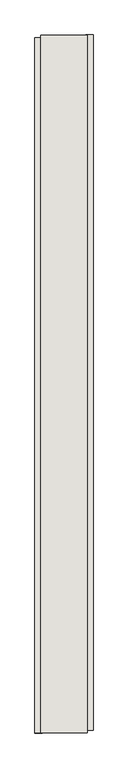
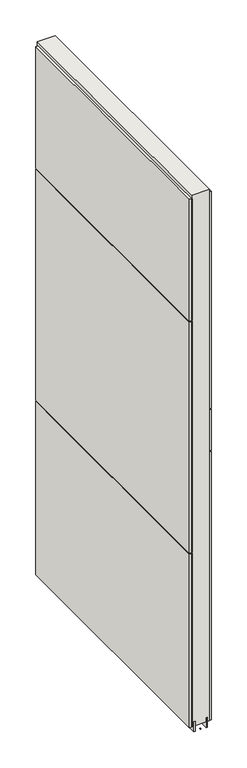
"""IFC4 building model written with IfcOpenShell, lengths in millimetres: wall geometry."""

from ifc_helpers import new_model, si_unit, frame, origin, place, context, project, spatial, polyline, outline, extrude, source, transform, mapped, element, save


def wall_921c72b9(model_context):
    return source(origin(), model_context, "Body", "SweptSolid", [
        extrude(outline(polyline([(73433.342211, -55777.5553992), (73433.342211, -55775.0153992), (73435.882211, -55775.0153992), (73435.882211, -55777.5553992), (73433.342211, -55777.5553992)])), frame((0.0, 0.0, 4419.6), z_axis=(0.0, 0.0, 1.0), x_axis=(1.0, 0.0, 0.0)), (0.0, 0.0, 1.0), 2.54),
        extrude(outline(polyline([(73485.412211, -54557.8885726), (73485.412211, -55773.0885806), (73472.712211, -55773.0885806), (73472.712211, -54557.8885726), (73485.412211, -54557.8885726)])), frame((0.0, 0.0, 5945.6000722), z_axis=(0.0, 0.0, 1.0), x_axis=(1.0, 0.0, 0.0)), (0.0, 0.0, 1.0), 1044.449905),
        extrude(outline(polyline([(73485.412211, -54557.8885726), (73485.412211, -55773.0885806), (73472.712211, -55773.0885806), (73472.712211, -54557.8885726), (73485.412211, -54557.8885726)])), frame((0.0, 0.0, 5742.3999706), z_axis=(0.0, 0.0, 1.0), x_axis=(1.0, 0.0, 0.0)), (0.0, 0.0, 1.0), 199.2000512),
        extrude(outline(polyline([(73485.412211, -54557.8885726), (73485.412211, -55773.0885806), (73472.712211, -55773.0885806), (73472.712211, -54557.8885726), (73485.412211, -54557.8885726)])), frame((0.0, 0.0, 4445.0), z_axis=(0.0, 0.0, 1.0), x_axis=(1.0, 0.0, 0.0)), (0.0, 0.0, 1.0), 1293.400004),
        extrude(outline(polyline([(73383.812211, -55778.024715), (73383.812211, -54562.824707), (73396.512211, -54562.824707), (73396.512211, -55778.024715), (73383.812211, -55778.024715)])), frame((0.0, 0.0, 6402.8000722), z_axis=(0.0, 0.0, 1.0), x_axis=(1.0, 0.0, 0.0)), (0.0, 0.0, 1.0), 587.2498034),
        extrude(outline(polyline([(73383.812211, -55778.024715), (73383.812211, -54562.824707), (73396.512211, -54562.824707), (73396.512211, -55778.024715), (73383.812211, -55778.024715)])), frame((0.0, 0.0, 5285.2000722), z_axis=(0.0, 0.0, 1.0), x_axis=(1.0, 0.0, 0.0)), (0.0, 0.0, 1.0), 1113.5999572),
        extrude(outline(polyline([(73383.812211, -55778.024715), (73383.812211, -54562.824707), (73396.512211, -54562.824707), (73396.512211, -55778.024715), (73383.812211, -55778.024715)])), frame((0.0, 0.0, 4445.0), z_axis=(0.0, 0.0, 1.0), x_axis=(1.0, 0.0, 0.0)), (0.0, 0.0, 1.0), 836.200004),
        extrude(outline(polyline([(73459.6959556, -55777.5628414), (73459.6959556, -54558.3628414), (73464.774711, -54558.3628414), (73464.774711, -55777.5628414), (73459.6959556, -55777.5628414)])), frame((0.0, 0.0, 4418.6602), z_axis=(0.0, 0.0, 1.0), x_axis=(1.0, 0.0, 0.0)), (0.0, 0.0, 1.0), 47.625),
        extrude(outline(polyline([(73459.6959556, -55777.5628414), (73459.6959556, -54558.3628414), (73464.774711, -54558.3628414), (73464.774711, -55777.5628414), (73459.6959556, -55777.5628414)])), frame((0.0, 0.0, 4418.6602), z_axis=(0.0, 0.0, 1.0), x_axis=(1.0, 0.0, 0.0)), (0.0, 0.0, 1.0), 47.625),
        extrude(outline(polyline([(73409.5284664, -54558.3628414), (73409.5284664, -55777.5628414), (73404.449711, -55777.5628414), (73404.449711, -54558.3628414), (73409.5284664, -54558.3628414)])), frame((0.0, 0.0, 4418.6602), z_axis=(0.0, 0.0, 1.0), x_axis=(1.0, 0.0, 0.0)), (0.0, 0.0, 1.0), 47.625),
        extrude(outline(polyline([(73409.5284664, -54558.3628414), (73409.5284664, -55777.5628414), (73404.449711, -55777.5628414), (73404.449711, -54558.3628414), (73409.5284664, -54558.3628414)])), frame((0.0, 0.0, 4418.6602), z_axis=(0.0, 0.0, 1.0), x_axis=(1.0, 0.0, 0.0)), (0.0, 0.0, 1.0), 47.625),
        extrude(outline(polyline([(73475.2670954, -55777.5628414), (73393.9573266, -55777.5628414), (73393.9573266, -54558.3628414), (73475.2670954, -54558.3628414), (73475.2670954, -55777.5628414)])), frame((0.0, 0.0, 4445.0), z_axis=(0.0, 0.0, 1.0), x_axis=(1.0, 0.0, 0.0)), (0.0, 0.0, 1.0), 2562.4536762),
    ])


if __name__ == "__main__":
    model = new_model("IFC4")
    model_context = context("Model", 3, world=origin())
    ifc_project = project(units=[si_unit("LENGTHUNIT", "METRE", prefix="MILLI")], contexts=[model_context])
    site = spatial("IfcSite", under=ifc_project)
    building = spatial("IfcBuilding", under=site)
    placement = place(None, origin())
    wall_shape = wall_921c72b9(model_context)
    element("IfcWall", 1, at=placement, inside=building, context=model_context, shape_type="MappedRepresentation", body=[
        mapped(wall_shape, transform((0.0, 0.0, 0.0), x_axis=(1.0, 0.0, 0.0), y_axis=(0.0, 1.0, 0.0), z_axis=(0.0, 0.0, 1.0))),
    ])
    save(model, "model.ifc")
